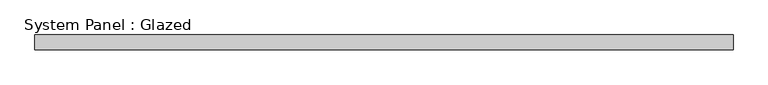
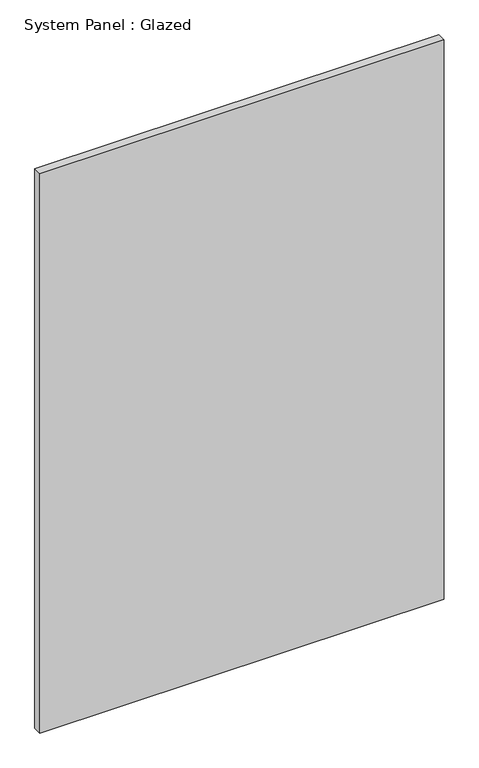
"""IFC4 building model written with IfcOpenShell, lengths in millimetres: plate geometry, System Panel : Glazed."""

from ifc_helpers import new_model, si_unit, origin, origin_with_axes, place, context, project, spatial, polyline, outline, extrude, source, transform, mapped, element, save


def system_panel_glazed_d0444478(model_context):
    return source(origin(), model_context, "Body", "SweptSolid", [
        extrude(outline(polyline([(592.455, 19.05), (-592.455, 19.05), (-592.455, 44.45), (592.455, 44.45), (592.455, 19.05)])), origin_with_axes(), (0.0, 0.0, 1.0), 1733.55),
    ])


if __name__ == "__main__":
    model = new_model("IFC4")
    model_context = context("Model", 3, world=origin())
    ifc_project = project(units=[si_unit("LENGTHUNIT", "METRE", prefix="MILLI")], contexts=[model_context])
    site = spatial("IfcSite", under=ifc_project)
    building = spatial("IfcBuilding", under=site)
    placement = place(None, origin())
    system_panel_glazed_shape = system_panel_glazed_d0444478(model_context)
    element("IfcPlate", 1, ObjectType="System Panel : Glazed", at=placement, inside=building, context=model_context, shape_type="MappedRepresentation", body=[
        mapped(system_panel_glazed_shape, transform((0.0, 0.0, 0.0), x_axis=(1.0, 0.0, 0.0), y_axis=(0.0, 1.0, 0.0), z_axis=(0.0, 0.0, 1.0))),
    ])
    save(model, "model.ifc")
